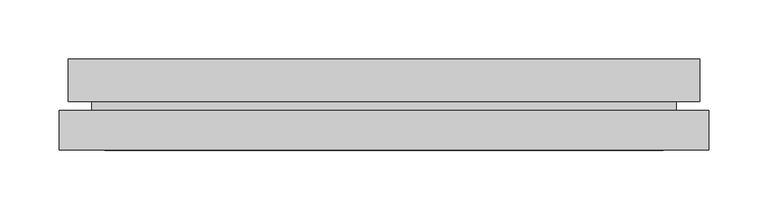
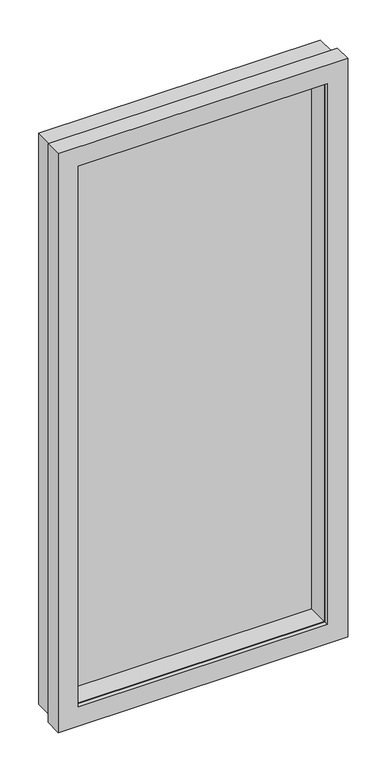
"""IFC4 building model written with IfcOpenShell, lengths in millimetres: plate geometry."""

from ifc_helpers import new_model, si_unit, frame, origin, place, context, project, spatial, polyline, outline, extrude, faceted_brep, source, transform, mapped, element, save


def plate_747a50b5(model_context):
    return source(origin(), model_context, "Body", "SolidModel", [
        faceted_brep([(234.95, -75.40625, 38.1), (234.95, -116.2840935, 38.1), (234.95, -116.2840935, 1117.6), (234.95, -75.40625, 1117.6), (256.7432, -50.00625, 16.3068), (256.7432, -75.40625, 16.3068), (256.7432, -75.40625, 1139.3932), (256.7432, -50.00625, 1139.3932), (265.4808, -85.7278935, 7.5692), (265.4808, -50.00625, 7.5692), (265.4808, -50.00625, 1148.1308), (265.4808, -85.7278935, 1148.1308), (246.0498, -116.2840935, 27.0002), (246.0498, -85.7278935, 27.0002), (246.0498, -85.7278935, 1128.6998), (246.0498, -116.2840935, 1128.6998), (-234.95, -116.2840935, 1117.6), (-234.95, -75.40625, 1117.6), (-256.7432, -75.40625, 1139.3932), (-256.7432, -50.00625, 1139.3932), (-265.4808, -50.00625, 1148.1308), (-265.4808, -85.7278935, 1148.1308), (-246.0498, -85.7278935, 1128.6998), (-246.0498, -116.2840935, 1128.6998), (-234.95, -116.2840935, 38.1), (-234.95, -75.40625, 38.1), (-256.7432, -75.40625, 16.3068), (-256.7432, -50.00625, 16.3068), (-265.4808, -50.00625, 7.5692), (-265.4808, -85.7278935, 7.5692), (-246.0498, -85.7278935, 27.0002), (-246.0498, -116.2840935, 27.0002)], [[[0, 1, 2, 3]], [[4, 5, 6, 7]], [[8, 9, 10, 11]], [[12, 13, 14, 15]], [[3, 2, 16, 17]], [[7, 6, 18, 19]], [[11, 10, 20, 21]], [[15, 14, 22, 23]], [[17, 16, 24, 25]], [[19, 18, 26, 27]], [[21, 20, 28, 29]], [[23, 22, 30, 31]], [[15, 23, 31, 12], [1, 24, 16, 2]], [[25, 24, 1, 0]], [[5, 26, 18, 6], [3, 17, 25, 0]], [[27, 26, 5, 4]], [[9, 28, 20, 10], [7, 19, 27, 4]], [[29, 28, 9, 8]], [[11, 21, 29, 8], [13, 30, 22, 14]], [[31, 30, 13, 12]]]),
        faceted_brep([(273.05, -126.4948935, 0.0), (273.05, -93.1700935, 0.0), (273.05, -93.1700935, 1155.7), (273.05, -126.4948935, 1155.7), (262.83666, -93.1700935, 10.21334), (262.83666, -118.5700935, 10.21334), (262.83666, -118.5700935, 1145.48666), (262.83666, -93.1700935, 1145.48666), (234.95, -118.5700935, 38.1), (234.95, -126.4948935, 38.1), (234.95, -126.4948935, 1117.6), (234.95, -118.5700935, 1117.6), (-273.05, -93.1700935, 1155.7), (-273.05, -126.4948935, 1155.7), (-234.95, -126.4948935, 1117.6), (-234.95, -118.5700935, 1117.6), (-262.83666, -118.5700935, 1145.48666), (-262.83666, -93.1700935, 1145.48666), (-273.05, -93.1700935, 0.0), (-273.05, -126.4948935, 0.0), (-234.95, -126.4948935, 38.1), (-234.95, -118.5700935, 38.1), (-262.83666, -118.5700935, 10.21334), (-262.83666, -93.1700935, 10.21334)], [[[0, 1, 2, 3]], [[4, 5, 6, 7]], [[8, 9, 10, 11]], [[3, 2, 12, 13]], [[11, 10, 14, 15]], [[7, 6, 16, 17]], [[13, 12, 18, 19]], [[15, 14, 20, 21]], [[17, 16, 22, 23]], [[1, 18, 12, 2], [7, 17, 23, 4]], [[19, 18, 1, 0]], [[3, 13, 19, 0], [9, 20, 14, 10]], [[21, 20, 9, 8]], [[5, 22, 16, 6], [11, 15, 21, 8]], [[23, 22, 5, 4]]]),
        extrude(outline(polyline([(256.7432, -50.00625), (256.7432, -75.40625), (-256.7432, -75.40625), (-256.7432, -50.00625), (256.7432, -50.00625)])), frame((0.0, 0.0, 16.3068), z_axis=(0.0, 0.0, 1.0), x_axis=(1.0, 0.0, 0.0)), (0.0, 0.0, 1.0), 1123.0863999),
    ])


if __name__ == "__main__":
    model = new_model("IFC4")
    model_context = context("Model", 3, world=origin())
    ifc_project = project(units=[si_unit("LENGTHUNIT", "METRE", prefix="MILLI")], contexts=[model_context])
    site = spatial("IfcSite", under=ifc_project)
    building = spatial("IfcBuilding", under=site)
    placement = place(None, origin())
    plate_shape = plate_747a50b5(model_context)
    element("IfcPlate", 1, at=placement, inside=building, context=model_context, shape_type="MappedRepresentation", body=[
        mapped(plate_shape, transform((0.0, 0.0, 0.0), x_axis=(1.0, 0.0, 0.0), y_axis=(0.0, 1.0, 0.0), z_axis=(0.0, 0.0, 1.0))),
    ])
    save(model, "model.ifc")
